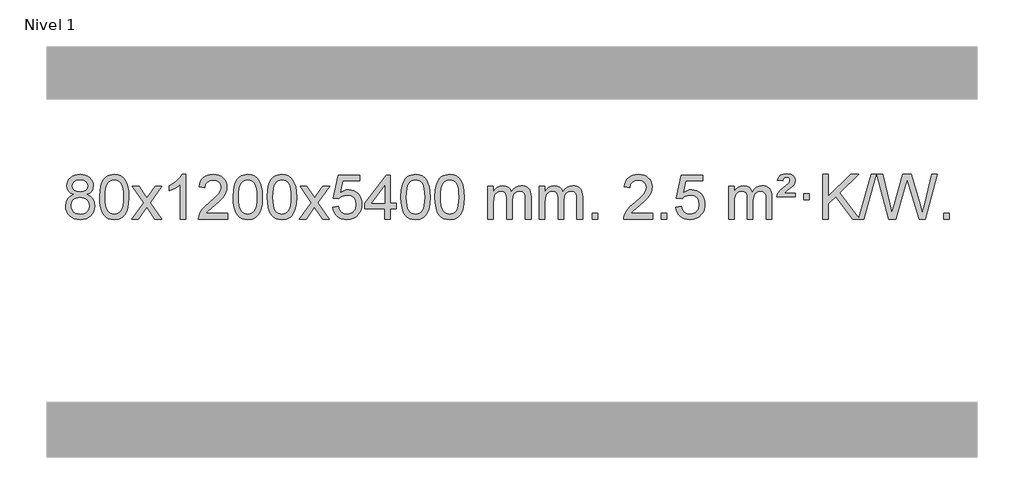
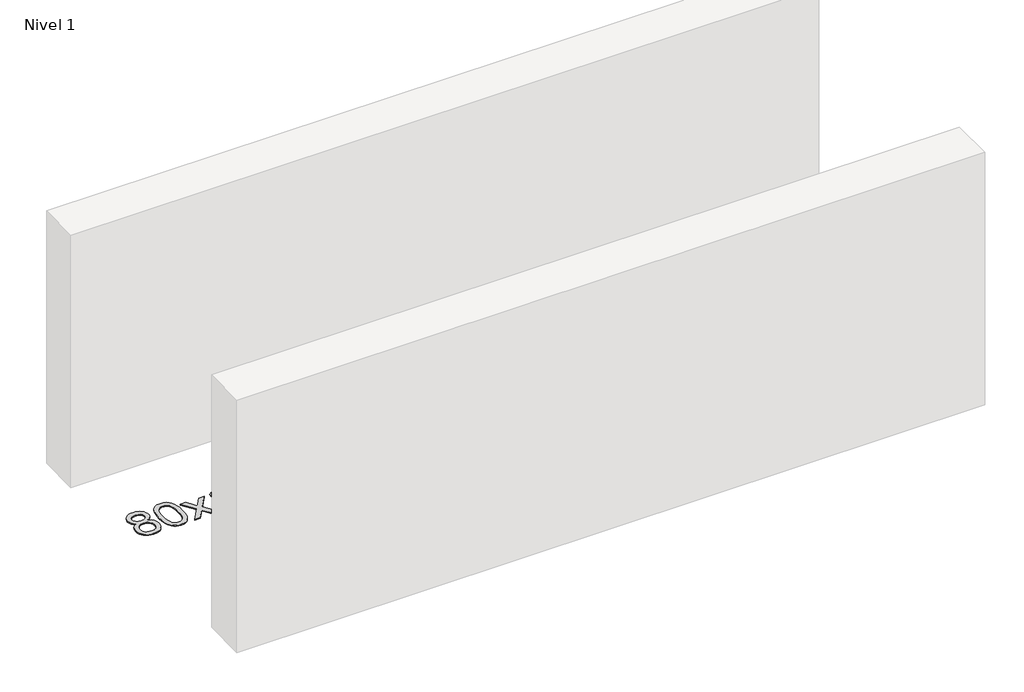
# One storey, part 7 of 15: 1 proxy.
"""IFC4 building model written with IfcOpenShell, lengths in millimetres."""

import ifcopenshell
import ifcopenshell.guid

model = None  # the IFC model being written
_history = None  # IfcOwnerHistory: only IFC2X3 demands one
_inside = {}  # id of a spatial element -> (the spatial element, [elements in it])
_under = {}  # id of a project, library or spatial element -> (it, [spatial elements below it])
_declared = {}  # id of a project -> (the project, [libraries it declares])
_typed = {}  # id of a type object -> (the type object, [elements of that type])
_made_of = {}  # id of a material, layer set ... -> (it, [elements and type objects made of it])


def new_model(schema):
    """Start an empty IFC model of exactly this schema.

    Asked for "IFC4X3", IfcOpenShell would pick the latest addendum, in which some entities
    have other attributes; the version numbers below select the first issue.
    IFC2X3 requires an IfcOwnerHistory on every rooted entity: one is made here for all.
    """
    global model, _history
    if schema == "IFC4X3":
        model = ifcopenshell.file(schema_version=(4, 3, 0, 0))
    else:
        model = ifcopenshell.file(schema=schema)
    _inside.clear()
    _under.clear()
    _declared.clear()
    _typed.clear()
    _made_of.clear()
    _history = None
    if model.schema == "IFC2X3":
        org = make("IfcOrganization", Name="unknown")
        user = make(
            "IfcPersonAndOrganization",
            ThePerson=make("IfcPerson", FamilyName="unknown"),
            TheOrganization=org,
        )
        app = make(
            "IfcApplication",
            ApplicationDeveloper=org,
            Version="unknown",
            ApplicationFullName="unknown",
            ApplicationIdentifier="unknown",
        )
        _history = make(
            "IfcOwnerHistory",
            OwningUser=user,
            OwningApplication=app,
            ChangeAction="ADDED",
            CreationDate=0,
        )
    return model


def make(cls, **values):
    """One entity of the class cls with the attributes given. An attribute that is None is left unset."""
    return model.create_entity(
        cls, **{name: value for name, value in values.items() if value is not None}
    )


def rooted(cls, **values):
    """An entity with a GlobalId (a new one), such as an element, a storey or a relation."""
    return make(cls, GlobalId=ifcopenshell.guid.new(), OwnerHistory=_history, **values)


def si_unit(unit_type, name, prefix=None):
    """IfcSIUnit, for example si_unit("LENGTHUNIT", "METRE", prefix="MILLI")."""
    return make("IfcSIUnit", UnitType=unit_type, Prefix=prefix, Name=name)


def assignment(units):
    """IfcUnitAssignment: the units of a project."""
    return None if units is None else make("IfcUnitAssignment", Units=units)


def point(xyz):
    """IfcCartesianPoint."""
    return None if xyz is None else make("IfcCartesianPoint", Coordinates=xyz)


def direction(xyz):
    """IfcDirection."""
    return None if xyz is None else make("IfcDirection", DirectionRatios=xyz)


def frame(location, z_axis=None, x_axis=None):
    """IfcAxis2Placement3D, a coordinate frame: its origin and axes. An axis left out is left unset."""
    return make(
        "IfcAxis2Placement3D",
        Location=point(location),
        Axis=direction(z_axis),
        RefDirection=direction(x_axis),
    )


def origin():
    """The frame at (0, 0, 0) with its axes left unset."""
    return frame((0.0, 0.0, 0.0))


def origin_with_axes():
    """The frame at (0, 0, 0) with the z axis (0, 0, 1) and the x axis (1, 0, 0) written out."""
    return frame((0.0, 0.0, 0.0), z_axis=(0.0, 0.0, 1.0), x_axis=(1.0, 0.0, 0.0))


def place(relative_to, where):
    """IfcLocalPlacement: puts the frame where relative to a parent placement (None: the world)."""
    return make(
        "IfcLocalPlacement", PlacementRelTo=relative_to, RelativePlacement=where
    )


def context(
    kind, dimensions, precision=None, world=None, true_north=None, identifier=None
):
    """IfcGeometricRepresentationContext, for example the 3D "Model" context."""
    return make(
        "IfcGeometricRepresentationContext",
        ContextIdentifier=identifier,
        ContextType=kind,
        CoordinateSpaceDimension=dimensions,
        Precision=precision,
        WorldCoordinateSystem=world,
        TrueNorth=true_north,
    )


def project(units=None, contexts=None):
    """IfcProject with its units and contexts."""
    return rooted(
        "IfcProject",
        Name="project",
        RepresentationContexts=contexts,
        UnitsInContext=assignment(units),
    )


def spatial(cls, under=None, at=None, **own):
    """A site, building, storey or space (cls), placed at a placement, below another one or the project."""
    s = rooted(cls, ObjectPlacement=at, **own)
    if under is not None:
        _under.setdefault(under.id(), (under, []))[1].append(s)
    return s


def polyline(points):
    """IfcPolyline through the points."""
    return make("IfcPolyline", Points=[point(p) for p in points])


def outline(outer, holes=None, kind="AREA"):
    """IfcArbitraryClosedProfileDef: a profile drawn as a closed curve; with holes, ...WithVoids."""
    if holes is None:
        return make("IfcArbitraryClosedProfileDef", ProfileType=kind, OuterCurve=outer)
    return make(
        "IfcArbitraryProfileDefWithVoids",
        ProfileType=kind,
        OuterCurve=outer,
        InnerCurves=holes,
    )


def extrude(swept, where, along, depth):
    """IfcExtrudedAreaSolid: the profile swept, set in the frame where, extruded along a direction by depth."""
    return make(
        "IfcExtrudedAreaSolid",
        SweptArea=swept,
        Position=where,
        ExtrudedDirection=direction(along),
        Depth=depth,
    )


def shape(context_of_items, identifier, shape_type, items):
    """IfcShapeRepresentation: the items that make up one representation, for example the "Body"."""
    return make(
        "IfcShapeRepresentation",
        ContextOfItems=context_of_items,
        RepresentationIdentifier=identifier,
        RepresentationType=shape_type,
        Items=items,
    )


def made_of(thing, what):
    """Note that an element or type object is made of a material, layer set ...; save() writes the relation."""
    if what is not None:
        _made_of.setdefault(what.id(), (what, []))[1].append(thing)
    return thing


def element(
    cls,
    number,
    at=None,
    inside=None,
    cuts=None,
    type_object=None,
    material=None,
    context=None,
    identifier="Body",
    shape_type=None,
    held_by="IfcProductDefinitionShape",
    body=None,
    shapes=None,
    **own,
):
    """One element of the class cls, such as IfcWall. Its Tag is "e" and its number.

    at: its placement. inside: the storey or other place that contains it. cuts: it is an
    opening in that element (IfcRelVoidsElement). A single representation is given by context,
    identifier, shape_type and body (its items); several are given by shapes. held_by: the class
    of the entity that holds the representations. save() writes the other relations.
    """
    e = rooted(cls, Tag="e%d" % number, ObjectPlacement=at, **own)
    if body is not None:
        shapes = [shape(context, identifier, shape_type, body)]
    if shapes is not None:
        e.Representation = make(held_by, Representations=shapes)
    if inside is not None:
        _inside.setdefault(inside.id(), (inside, []))[1].append(e)
    if cuts is not None:
        rooted(
            "IfcRelVoidsElement", RelatingBuildingElement=cuts, RelatedOpeningElement=e
        )
    if type_object is not None:
        _typed.setdefault(type_object.id(), (type_object, []))[1].append(e)
    return made_of(e, material)


def aggregate(whole, parts):
    """IfcRelAggregates: a whole, such as a stair, and the parts it consists of."""
    return rooted("IfcRelAggregates", RelatingObject=whole, RelatedObjects=parts)


def save(model, path):
    """Write the relations noted so far, then the file.

    IfcRelAggregates (storeys below a building ...), IfcRelContainedInSpatialStructure (elements
    in a storey), IfcRelDefinesByType, IfcRelAssociatesMaterial and IfcRelDeclares: one each for
    every whole, place, type object, material and project.
    """
    for whole, parts in _under.values():
        aggregate(whole, parts)
    for where, things in _inside.values():
        rooted(
            "IfcRelContainedInSpatialStructure",
            RelatedElements=things,
            RelatingStructure=where,
        )
    for kind, things in _typed.values():
        rooted("IfcRelDefinesByType", RelatedObjects=things, RelatingType=kind)
    for what, things in _made_of.values():
        rooted("IfcRelAssociatesMaterial", RelatedObjects=things, RelatingMaterial=what)
    for by, libraries in _declared.values():
        rooted("IfcRelDeclares", RelatingContext=by, RelatedDefinitions=libraries)
    model.write(path)


model = new_model("IFC4")

# Units and contexts
model_context = context("Model", 3, world=origin())
ifc_project = project(units=[si_unit("LENGTHUNIT", "METRE", prefix="MILLI")], contexts=[model_context])

# Site, building, storey
site = spatial("IfcSite", under=ifc_project)
building = spatial("IfcBuilding", under=site)
storey = spatial("IfcBuildingStorey", under=building, Name="Nivel 1", Elevation=0.0)

# Proxy
placement = place(None, origin())
element("IfcBuildingElementProxy", 1, Name="Texto de modelo 1", ObjectType="Texto de modelo 1", at=placement, inside=storey, context=model_context, shape_type="SweptSolid", body=[
    extrude(outline(polyline([(-25932.9857189, -444.2616447), (-25959.8778927, -431.0178929), (-25978.7502391, -413.0652515), (-25989.8970635, -390.7716026), (-25993.6126717, -364.5048281), (-25991.5893207, -344.0199324), (-25985.5192678, -325.2395565), (-25975.4025129, -308.1637006), (-25961.2390561, -292.7923645), (-25943.709479, -280.088173), (-25923.4943634, -271.0137504), (-25900.5937092, -265.5690969), (-25875.0075164, -263.7542124), (-25849.2986964, -265.6120165), (-25826.2263639, -271.1854287), (-25805.7905191, -280.4744491), (-25787.9911619, -293.4790776), (-25773.5701876, -309.1508506), (-25763.2694918, -326.4413044), (-25757.0890743, -345.3504389), (-25755.0289351, -365.8782543), (-25758.6954923, -391.2989001), (-25769.695164, -413.2124043), (-25788.1505774, -431.0546811), (-25814.1843599, -444.2616447), (-25783.2700096, -460.1909351), (-25760.7678942, -483.6495436), (-25747.0458958, -513.5092989), (-25742.4718963, -548.6420295), (-25744.740502, -573.6947933), (-25751.5463189, -596.6628926), (-25762.8893471, -617.5463272), (-25778.7695865, -636.3450971), (-25798.3531714, -651.88198), (-25820.8062358, -662.9797536), (-25846.1287798, -669.6384177), (-25874.3208034, -671.8579724), (-25902.512827, -669.6292206), (-25927.835371, -662.9429654), (-25950.2884354, -651.7992066), (-25969.8720203, -636.1979443), (-25985.7522597, -617.26735), (-25997.0952879, -596.135595), (-26003.9011048, -572.8026795), (-26006.1697105, -547.2686033), (-26001.41177, -510.7747094), (-25987.1379486, -480.7555386), (-25964.0840102, -458.2411605), (-25932.9857189, -444.2616447)]), holes=[polyline([(-25943.3845166, -365.9763561), (-25938.9331445, -387.902123), (-25925.5790281, -405.413306), (-25903.7145748, -416.8912243), (-25873.7321922, -420.717197), (-25844.4487854, -416.9157497), (-25822.9154259, -405.5114079), (-25809.6716741, -388.5888361), (-25805.2570902, -368.232699), (-25809.8188269, -347.1040098), (-25823.5040371, -329.629615), (-25845.3317022, -317.8941794), (-25874.3208034, -313.9823675), (-25903.4938456, -317.8083402), (-25925.2847225, -329.2862585), (-25938.8595681, -346.1107284), (-25943.3845166, -365.9763561)]), polyline([(-25955.9415554, -545.5027698), (-25953.844628, -564.7184726), (-25947.5538459, -583.3210389), (-25935.9410376, -599.5446349), (-25917.8780316, -611.623427), (-25896.2465703, -619.1282197), (-25873.9283959, -621.6298173), (-25839.7398958, -616.3691048), (-25825.8462192, -609.7932141), (-25814.086258, -600.5869672), (-25798.0466031, -576.6869002), (-25792.7000514, -547.0723996), (-25798.2182813, -516.9551269), (-25814.7729711, -492.5277625), (-25826.8517633, -483.0854579), (-25841.0152201, -476.3409547), (-25875.5961276, -470.9453521), (-25909.3063811, -476.2673783), (-25923.043708, -482.919911), (-25934.7025015, -492.2334569), (-25950.6317919, -516.1948375), (-25955.9415554, -545.5027698)])]), origin_with_axes(), (0.0, 0.0, 1.0), 10.0),
    extrude(outline(polyline([(-25698.5222606, -467.9041943), (-25694.8311779, -403.5861588), (-25683.7579299, -352.2911459), (-25665.4128811, -313.2343407), (-25653.5548181, -298.0009605), (-25639.9063961, -285.6309284), (-25624.4216298, -276.0598651), (-25607.0545339, -269.2233914), (-25566.6733536, -263.7542124), (-25535.722215, -266.991574), (-25508.0084381, -276.7036586), (-25484.8318724, -292.5103217), (-25467.4923677, -314.0314184), (-25454.3957686, -341.0830078), (-25443.94792, -373.4811488), (-25437.1053149, -414.6226186), (-25434.8244465, -467.9041943), (-25438.478741, -531.8543477), (-25449.4416244, -583.0267333), (-25467.6763087, -622.1203266), (-25479.5067805, -637.3996922), (-25493.1460055, -649.8341036), (-25508.6491659, -659.4695462), (-25526.071444, -666.3520052), (-25566.6733536, -671.8579724), (-25594.3380796, -669.4667394), (-25618.8635459, -662.2930405), (-25640.2497526, -650.3368757), (-25658.4966996, -633.5982449), (-25676.0078825, -603.3399508), (-25688.5158704, -565.6381776), (-25696.0206631, -520.4929255), (-25698.5222606, -467.9041943)]), holes=[polyline([(-25648.2941056, -467.8060924), (-25646.8225776, -511.4706195), (-25642.4079936, -546.8148822), (-25635.0503537, -573.8388804), (-25624.7496579, -592.5426142), (-25612.290721, -605.2682656), (-25598.4583579, -614.3580165), (-25583.2525688, -619.8118671), (-25566.6733536, -621.6298173), (-25550.0941383, -619.8057357), (-25534.8883492, -614.3334911), (-25521.0559862, -605.2130833), (-25508.5970493, -592.4445124), (-25498.2963534, -573.7101217), (-25490.9387135, -546.6922549), (-25486.5241295, -511.3909118), (-25485.0526016, -467.8060924), (-25486.4750786, -425.2973278), (-25490.7425098, -390.5753989), (-25497.854895, -363.6403055), (-25507.8122343, -344.4920476), (-25520.0627048, -331.1440625), (-25534.0544833, -321.6097875), (-25549.78757, -315.8892225), (-25567.2619648, -313.9823675), (-25583.7553409, -315.6623619), (-25598.7036126, -320.7023452), (-25612.10678, -329.1023175), (-25623.9648429, -340.8622786), (-25634.6088953, -361.708925), (-25642.2117899, -389.8151094), (-25646.7735266, -425.1808319), (-25648.2941056, -467.8060924)])]), origin_with_axes(), (0.0, 0.0, 1.0), 10.0),
    extrude(outline(polyline([(-25409.7103689, -665.579453), (-25302.3869282, -517.2494325), (-25403.4318496, -370.4890419), (-25343.0011005, -370.4890419), (-25294.2444734, -441.122385), (-25271.4848406, -474.4770192), (-25251.7663657, -447.2047007), (-25196.2407099, -370.4890419), (-25135.8099608, -370.4890419), (-25241.9561791, -517.2494325), (-25139.7340354, -665.579453), (-25200.1647845, -665.579453), (-25261.6746541, -576.4048574), (-25272.9563686, -560.1199477), (-25349.2796199, -665.579453), (-25409.7103689, -665.579453)])), origin_with_axes(), (0.0, 0.0, 1.0), 10.0),
    extrude(outline(polyline([(-24919.985857, -665.579453), (-24970.214012, -665.579453), (-24970.214012, -352.4382987), (-24991.1832858, -369.3976587), (-25017.7934168, -386.3324932), (-25070.6703222, -411.6918254), (-25070.6703222, -364.2105225), (-25031.2211096, -342.7507395), (-24997.0448722, -317.219729), (-24970.1036474, -290.0700378), (-24952.3594725, -263.7542124), (-24919.985857, -263.7542124), (-24919.985857, -665.579453)])), origin_with_axes(), (0.0, 0.0, 1.0), 10.0),
    extrude(outline(polyline([(-24543.2746939, -615.3512979), (-24543.2746939, -665.579453), (-24806.9725081, -665.579453), (-24805.8688621, -647.8965918), (-24801.5769055, -630.9494945), (-24789.191545, -603.8856424), (-24771.0672253, -577.6311307), (-24744.8495018, -550.1503456), (-24708.1839296, -519.4076736), (-24653.982649, -471.2641831), (-24621.4618806, -435.7267824), (-24605.2014964, -406.884834), (-24599.7813684, -378.8277005), (-24604.8949281, -353.6768347), (-24620.2356073, -332.7688747), (-24643.8168432, -318.6789943), (-24673.652073, -313.9823675), (-24704.9833563, -318.5686297), (-24729.3248816, -332.3274163), (-24745.0334428, -354.1796068), (-24750.4658336, -383.0460807), (-24800.6939887, -376.7675613), (-24796.3744409, -350.838012), (-24788.5170946, -328.1826125), (-24777.1219498, -308.8013627), (-24762.1890065, -292.6942627), (-24744.0616212, -280.0329907), (-24723.0831504, -270.989225), (-24699.2535942, -265.5629655), (-24672.5729525, -263.7542124), (-24645.6531875, -265.7653006), (-24621.6948725, -271.7985654), (-24600.6980077, -281.8540066), (-24582.6625929, -295.9316242), (-24568.1772393, -312.9890861), (-24557.8305582, -331.9840598), (-24551.6225495, -352.9165453), (-24549.5532133, -375.7865427), (-24551.7850307, -399.8092369), (-24558.480483, -423.4149983), (-24570.3630715, -447.4254299), (-24588.1562973, -472.6621347), (-24616.5199991, -502.7916701), (-24660.1140156, -541.4805933), (-24717.8960143, -589.795762), (-24740.5575452, -615.3512979), (-24543.2746939, -615.3512979)])), origin_with_axes(), (0.0, 0.0, 1.0), 10.0),
    extrude(outline(polyline([(-24493.0465388, -467.9041943), (-24489.3554561, -403.5861588), (-24478.2822081, -352.2911459), (-24459.9371593, -313.2343407), (-24448.0790963, -298.0009605), (-24434.4306743, -285.6309284), (-24418.945908, -276.0598651), (-24401.5788121, -269.2233914), (-24361.1976318, -263.7542124), (-24330.2464932, -266.991574), (-24302.5327163, -276.7036586), (-24279.3561506, -292.5103217), (-24262.0166459, -314.0314184), (-24248.9200468, -341.0830078), (-24238.4721982, -373.4811488), (-24231.6295931, -414.6226186), (-24229.3487247, -467.9041943), (-24233.0030192, -531.8543477), (-24243.9659026, -583.0267333), (-24262.2005869, -622.1203266), (-24274.0310587, -637.3996922), (-24287.6702837, -649.8341036), (-24303.1734441, -659.4695462), (-24320.5957222, -666.3520052), (-24361.1976318, -671.8579724), (-24388.8623578, -669.4667394), (-24413.3878241, -662.2930405), (-24434.7740308, -650.3368757), (-24453.0209778, -633.5982449), (-24470.5321607, -603.3399508), (-24483.0401486, -565.6381776), (-24490.5449413, -520.4929255), (-24493.0465388, -467.9041943)]), holes=[polyline([(-24442.8183838, -467.8060924), (-24441.3468558, -511.4706195), (-24436.9322718, -546.8148822), (-24429.5746319, -573.8388804), (-24419.2739361, -592.5426142), (-24406.8149992, -605.2682656), (-24392.9826361, -614.3580165), (-24377.776847, -619.8118671), (-24361.1976318, -621.6298173), (-24344.6184165, -619.8057357), (-24329.4126274, -614.3334911), (-24315.5802644, -605.2130833), (-24303.1213275, -592.4445124), (-24292.8206316, -573.7101217), (-24285.4629917, -546.6922549), (-24281.0484077, -511.3909118), (-24279.5768798, -467.8060924), (-24280.9993568, -425.2973278), (-24285.266788, -390.5753989), (-24292.3791732, -363.6403055), (-24302.3365125, -344.4920476), (-24314.586983, -331.1440625), (-24328.5787615, -321.6097875), (-24344.3118482, -315.8892225), (-24361.786243, -313.9823675), (-24378.2796191, -315.6623619), (-24393.2278908, -320.7023452), (-24406.6310582, -329.1023175), (-24418.4891211, -340.8622786), (-24429.1331735, -361.708925), (-24436.7360681, -389.8151094), (-24441.2978048, -425.1808319), (-24442.8183838, -467.8060924)])]), origin_with_axes(), (0.0, 0.0, 1.0), 10.0),
    extrude(outline(polyline([(-24185.399089, -467.9041943), (-24181.7080063, -403.5861588), (-24170.6347583, -352.2911459), (-24152.2897094, -313.2343407), (-24140.4316465, -298.0009605), (-24126.7832244, -285.6309284), (-24111.2984581, -276.0598651), (-24093.9313623, -269.2233914), (-24053.5501819, -263.7542124), (-24022.5990434, -266.991574), (-23994.8852664, -276.7036586), (-23971.7087007, -292.5103217), (-23954.369196, -314.0314184), (-23941.272597, -341.0830078), (-23930.8247483, -373.4811488), (-23923.9821432, -414.6226186), (-23921.7012749, -467.9041943), (-23925.3555693, -531.8543477), (-23936.3184528, -583.0267333), (-23954.553137, -622.1203266), (-23966.3836089, -637.3996922), (-23980.0228338, -649.8341036), (-23995.5259942, -659.4695462), (-24012.9482724, -666.3520052), (-24053.5501819, -671.8579724), (-24081.214908, -669.4667394), (-24105.7403743, -662.2930405), (-24127.126581, -650.3368757), (-24145.3735279, -633.5982449), (-24162.8847109, -603.3399508), (-24175.3926987, -565.6381776), (-24182.8974914, -520.4929255), (-24185.399089, -467.9041943)]), holes=[polyline([(-24135.1709339, -467.8060924), (-24133.6994059, -511.4706195), (-24129.284822, -546.8148822), (-24121.9271821, -573.8388804), (-24111.6264862, -592.5426142), (-24099.1675493, -605.2682656), (-24085.3351863, -614.3580165), (-24070.1293972, -619.8118671), (-24053.5501819, -621.6298173), (-24036.9709667, -619.8057357), (-24021.7651775, -614.3334911), (-24007.9328145, -605.2130833), (-23995.4738776, -592.4445124), (-23985.1731818, -573.7101217), (-23977.8155419, -546.6922549), (-23973.4009579, -511.3909118), (-23971.9294299, -467.8060924), (-23973.351907, -425.2973278), (-23977.6193381, -390.5753989), (-23984.7317234, -363.6403055), (-23994.6890627, -344.4920476), (-24006.9395331, -331.1440625), (-24020.9313117, -321.6097875), (-24036.6643984, -315.8892225), (-24054.1387931, -313.9823675), (-24070.6321692, -315.6623619), (-24085.580441, -320.7023452), (-24098.9836083, -329.1023175), (-24110.8416713, -340.8622786), (-24121.4857237, -361.708925), (-24129.0886183, -389.8151094), (-24133.650355, -425.1808319), (-24135.1709339, -467.8060924)])]), origin_with_axes(), (0.0, 0.0, 1.0), 10.0),
    extrude(outline(polyline([(-23896.5871973, -665.579453), (-23789.2637566, -517.2494325), (-23890.3086779, -370.4890419), (-23829.8779289, -370.4890419), (-23781.1213018, -441.122385), (-23758.361669, -474.4770192), (-23738.6431941, -447.2047007), (-23683.1175383, -370.4890419), (-23622.6867892, -370.4890419), (-23728.8330075, -517.2494325), (-23626.6108638, -665.579453), (-23687.0416129, -665.579453), (-23748.5514825, -576.4048574), (-23759.833197, -560.1199477), (-23836.1564482, -665.579453), (-23896.5871973, -665.579453)])), origin_with_axes(), (0.0, 0.0, 1.0), 10.0),
    extrude(outline(polyline([(-23595.2182669, -558.8446235), (-23544.9901118, -552.5661041), (-23535.7685365, -582.7201649), (-23519.6798305, -604.3148381), (-23496.7975704, -617.3010725), (-23467.1953326, -621.6298173), (-23448.0654688, -620.1245668), (-23431.191948, -615.6088153), (-23416.57477, -608.0825628), (-23404.213935, -597.5458094), (-23394.3853543, -584.519721), (-23387.3649396, -569.5254641), (-23381.7486078, -533.6324441), (-23387.0093203, -499.8363514), (-23393.585211, -485.9181493), (-23402.7914579, -473.9865099), (-23414.658718, -464.4154467), (-23429.2176479, -457.5789729), (-23466.4105176, -452.1097939), (-23490.7765684, -454.2925604), (-23510.5073061, -460.8408599), (-23526.2649182, -470.8717757), (-23538.7115924, -483.5023908), (-23588.9397475, -477.2238715), (-23544.9901118, -270.0327318), (-23350.3560109, -270.0327318), (-23350.3560109, -320.2608869), (-23504.3759395, -320.2608869), (-23525.860248, -430.919791), (-23508.1344672, -418.2155994), (-23489.9794908, -409.1411769), (-23471.3953187, -403.6965234), (-23452.3819509, -401.8816388), (-23427.9208639, -404.1318504), (-23405.452471, -410.882485), (-23384.9767723, -422.1335427), (-23366.4937677, -437.8850234), (-23351.1929424, -457.1743027), (-23340.2637815, -479.038756), (-23333.7062849, -503.4783832), (-23331.5204527, -530.4931844), (-23333.4886214, -556.5147042), (-23339.3931274, -580.7213394), (-23349.2339708, -603.1130902), (-23363.0111515, -623.6899565), (-23383.8823234, -644.7634634), (-23408.2361115, -659.8159684), (-23436.0725158, -668.8474714), (-23467.3915363, -671.8579724), (-23493.3118885, -669.9235262), (-23516.7245118, -664.1201877), (-23537.6294062, -654.447957), (-23556.0265717, -640.9068338), (-23571.3335283, -624.1712688), (-23582.9677964, -604.915712), (-23590.9293759, -583.1401636), (-23595.2182669, -558.8446235)])), origin_with_axes(), (0.0, 0.0, 1.0), 10.0),
    extrude(outline(polyline([(-23124.329313, -665.579453), (-23124.329313, -571.4016622), (-23306.4063752, -571.4016622), (-23306.4063752, -521.1735072), (-23111.7722743, -270.0327318), (-23074.101158, -270.0327318), (-23074.101158, -521.1735072), (-23023.8730029, -521.1735072), (-23023.8730029, -571.4016622), (-23074.101158, -571.4016622), (-23074.101158, -665.579453), (-23124.329313, -665.579453)]), holes=[polyline([(-23124.329313, -521.1735072), (-23124.329313, -365.9763561), (-23244.6022, -521.1735072), (-23124.329313, -521.1735072)])]), origin_with_axes(), (0.0, 0.0, 1.0), 10.0),
    extrude(outline(polyline([(-22979.9233672, -467.9041943), (-22976.2322845, -403.5861588), (-22965.1590365, -352.2911459), (-22946.8139876, -313.2343407), (-22934.9559247, -298.0009605), (-22921.3075026, -285.6309284), (-22905.8227363, -276.0598651), (-22888.4556405, -269.2233914), (-22848.0744601, -263.7542124), (-22817.1233216, -266.991574), (-22789.4095446, -276.7036586), (-22766.2329789, -292.5103217), (-22748.8934742, -314.0314184), (-22735.7968752, -341.0830078), (-22725.3490265, -373.4811488), (-22718.5064214, -414.6226186), (-22716.2255531, -467.9041943), (-22719.8798475, -531.8543477), (-22730.842731, -583.0267333), (-22749.0774152, -622.1203266), (-22760.9078871, -637.3996922), (-22774.547112, -649.8341036), (-22790.0502724, -659.4695462), (-22807.4725506, -666.3520052), (-22848.0744601, -671.8579724), (-22875.7391862, -669.4667394), (-22900.2646525, -662.2930405), (-22921.6508592, -650.3368757), (-22939.8978061, -633.5982449), (-22957.4089891, -603.3399508), (-22969.9169769, -565.6381776), (-22977.4217696, -520.4929255), (-22979.9233672, -467.9041943)]), holes=[polyline([(-22929.6952121, -467.8060924), (-22928.2236842, -511.4706195), (-22923.8091002, -546.8148822), (-22916.4514603, -573.8388804), (-22906.1507644, -592.5426142), (-22893.6918275, -605.2682656), (-22879.8594645, -614.3580165), (-22864.6536754, -619.8118671), (-22848.0744601, -621.6298173), (-22831.4952449, -619.8057357), (-22816.2894558, -614.3334911), (-22802.4570927, -605.2130833), (-22789.9981558, -592.4445124), (-22779.69746, -573.7101217), (-22772.3398201, -546.6922549), (-22767.9252361, -511.3909118), (-22766.4537081, -467.8060924), (-22767.8761852, -425.2973278), (-22772.1436163, -390.5753989), (-22779.2560016, -363.6403055), (-22789.2133409, -344.4920476), (-22801.4638113, -331.1440625), (-22815.4555899, -321.6097875), (-22831.1886766, -315.8892225), (-22848.6630713, -313.9823675), (-22865.1564474, -315.6623619), (-22880.1047192, -320.7023452), (-22893.5078865, -329.1023175), (-22905.3659495, -340.8622786), (-22916.0100019, -361.708925), (-22923.6128965, -389.8151094), (-22928.1746332, -425.1808319), (-22929.6952121, -467.8060924)])]), origin_with_axes(), (0.0, 0.0, 1.0), 10.0),
    extrude(outline(polyline([(-22672.2759174, -467.9041943), (-22668.5848347, -403.5861588), (-22657.5115866, -352.2911459), (-22639.1665378, -313.2343407), (-22627.3084748, -298.0009605), (-22613.6600528, -285.6309284), (-22598.1752865, -276.0598651), (-22580.8081906, -269.2233914), (-22540.4270103, -263.7542124), (-22509.4758718, -266.991574), (-22481.7620948, -276.7036586), (-22458.5855291, -292.5103217), (-22441.2460244, -314.0314184), (-22428.1494254, -341.0830078), (-22417.7015767, -373.4811488), (-22410.8589716, -414.6226186), (-22408.5781032, -467.9041943), (-22412.2323977, -531.8543477), (-22423.1952812, -583.0267333), (-22441.4299654, -622.1203266), (-22453.2604372, -637.3996922), (-22466.8996622, -649.8341036), (-22482.4028226, -659.4695462), (-22499.8251008, -666.3520052), (-22540.4270103, -671.8579724), (-22568.0917363, -669.4667394), (-22592.6172027, -662.2930405), (-22614.0034093, -650.3368757), (-22632.2503563, -633.5982449), (-22649.7615393, -603.3399508), (-22662.2695271, -565.6381776), (-22669.7743198, -520.4929255), (-22672.2759174, -467.9041943)]), holes=[polyline([(-22622.0477623, -467.8060924), (-22620.5762343, -511.4706195), (-22616.1616504, -546.8148822), (-22608.8040105, -573.8388804), (-22598.5033146, -592.5426142), (-22586.0443777, -605.2682656), (-22572.2120147, -614.3580165), (-22557.0062256, -619.8118671), (-22540.4270103, -621.6298173), (-22523.8477951, -619.8057357), (-22508.6420059, -614.3334911), (-22494.8096429, -605.2130833), (-22482.350706, -592.4445124), (-22472.0500101, -573.7101217), (-22464.6923702, -546.6922549), (-22460.2777863, -511.3909118), (-22458.8062583, -467.8060924), (-22460.2287354, -425.2973278), (-22464.4961665, -390.5753989), (-22471.6085517, -363.6403055), (-22481.5658911, -344.4920476), (-22493.8163615, -331.1440625), (-22507.8081401, -321.6097875), (-22523.5412267, -315.8892225), (-22541.0156215, -313.9823675), (-22557.5089976, -315.6623619), (-22572.4572693, -320.7023452), (-22585.8604367, -329.1023175), (-22597.7184997, -340.8622786), (-22608.3625521, -361.708925), (-22615.9654466, -389.8151094), (-22620.5271834, -425.1808319), (-22622.0477623, -467.8060924)])]), origin_with_axes(), (0.0, 0.0, 1.0), 10.0),
    extrude(outline(polyline([(-22195.1084442, -665.579453), (-22195.1084442, -370.4890419), (-22144.8802891, -370.4890419), (-22144.8802891, -419.0494653), (-22129.7726018, -396.7435536), (-22110.3484325, -379.2691589), (-22087.2699686, -367.9751816), (-22061.1993979, -364.2105225), (-22033.2648918, -368.048758), (-22010.873141, -379.5634645), (-21994.1467729, -397.9943524), (-21983.2084149, -422.5811324), (-21964.9001543, -397.0439906), (-21944.0167197, -378.803175), (-21920.5581112, -367.8586857), (-21894.5243286, -364.2105225), (-21874.4165119, -365.7280358), (-21856.7673732, -370.2805755), (-21841.5769125, -377.8681416), (-21828.8451298, -388.4907342), (-21818.7804915, -402.2709806), (-21811.5914642, -419.3315082), (-21807.2780478, -439.6723168), (-21805.8402423, -463.2934066), (-21805.8402423, -665.579453), (-21856.0683974, -665.579453), (-21856.0683974, -484.875817), (-21857.2333571, -459.8230531), (-21860.728236, -442.9372695), (-21867.2765355, -431.3735121), (-21877.6017569, -422.2868268), (-21890.8822969, -416.4007149), (-21906.2965525, -414.4386776), (-21933.5075574, -419.4663982), (-21955.6908417, -434.54956), (-21964.2962147, -446.1194488), (-21970.4429097, -460.7182326), (-21975.3602657, -499.0024856), (-21975.3602657, -665.579453), (-22025.5884208, -665.579453), (-22025.5884208, -479.2840106), (-22028.4946885, -450.8835206), (-22037.2134918, -430.6254854), (-22052.554171, -418.4853796), (-22075.3260665, -414.4386776), (-22094.6766595, -417.1364789), (-22112.5066735, -425.2298828), (-22127.2219533, -438.5226856), (-22137.2283436, -456.8186835), (-22142.9673027, -482.2025411), (-22144.8802891, -516.7589232), (-22144.8802891, -665.579453), (-22195.1084442, -665.579453)])), origin_with_axes(), (0.0, 0.0, 1.0), 10.0),
    extrude(outline(polyline([(-21730.4980097, -665.579453), (-21730.4980097, -370.4890419), (-21680.2698546, -370.4890419), (-21680.2698546, -419.0494653), (-21665.1621674, -396.7435536), (-21645.737998, -379.2691589), (-21622.6595342, -367.9751816), (-21596.5889635, -364.2105225), (-21568.6544573, -368.048758), (-21546.2627065, -379.5634645), (-21529.5363385, -397.9943524), (-21518.5979805, -422.5811324), (-21500.2897199, -397.0439906), (-21479.4062853, -378.803175), (-21455.9476767, -367.8586857), (-21429.9138942, -364.2105225), (-21409.8060775, -365.7280358), (-21392.1569388, -370.2805755), (-21376.966478, -377.8681416), (-21364.2346953, -388.4907342), (-21354.1700571, -402.2709806), (-21346.9810297, -419.3315082), (-21342.6676134, -439.6723168), (-21341.2298079, -463.2934066), (-21341.2298079, -665.579453), (-21391.457963, -665.579453), (-21391.457963, -484.875817), (-21392.6229226, -459.8230531), (-21396.1178016, -442.9372695), (-21402.6661011, -431.3735121), (-21412.9913224, -422.2868268), (-21426.2718624, -416.4007149), (-21441.686118, -414.4386776), (-21468.8971229, -419.4663982), (-21491.0804073, -434.54956), (-21499.6857803, -446.1194488), (-21505.8324753, -460.7182326), (-21510.7498313, -499.0024856), (-21510.7498313, -665.579453), (-21560.9779863, -665.579453), (-21560.9779863, -479.2840106), (-21563.8842541, -450.8835206), (-21572.6030574, -430.6254854), (-21587.9437366, -418.4853796), (-21610.7156321, -414.4386776), (-21630.066225, -417.1364789), (-21647.8962391, -425.2298828), (-21662.6115189, -438.5226856), (-21672.6179091, -456.8186835), (-21678.3568683, -482.2025411), (-21680.2698546, -516.7589232), (-21680.2698546, -665.579453), (-21730.4980097, -665.579453)])), origin_with_axes(), (0.0, 0.0, 1.0), 10.0),
    extrude(outline(polyline([(-21253.3305365, -665.579453), (-21253.3305365, -615.3512979), (-21203.1023814, -615.3512979), (-21203.1023814, -665.579453), (-21253.3305365, -665.579453)])), origin_with_axes(), (0.0, 0.0, 1.0), 10.0),
    extrude(outline(polyline([(-20707.0993501, -615.3512979), (-20707.0993501, -665.579453), (-20970.7971642, -665.579453), (-20969.6935182, -647.8965918), (-20965.4015616, -630.9494945), (-20953.0162011, -603.8856424), (-20934.8918815, -577.6311307), (-20908.674158, -550.1503456), (-20872.0085858, -519.4076736), (-20817.8073052, -471.2641831), (-20785.2865368, -435.7267824), (-20769.0261526, -406.884834), (-20763.6060245, -378.8277005), (-20768.7195843, -353.6768347), (-20784.0602635, -332.7688747), (-20807.6414994, -318.6789943), (-20837.4767292, -313.9823675), (-20868.8080124, -318.5686297), (-20893.1495378, -332.3274163), (-20908.858099, -354.1796068), (-20914.2904898, -383.0460807), (-20964.5186448, -376.7675613), (-20960.1990971, -350.838012), (-20952.3417508, -328.1826125), (-20940.946606, -308.8013627), (-20926.0136627, -292.6942627), (-20907.8862774, -280.0329907), (-20886.9078066, -270.989225), (-20863.0782503, -265.5629655), (-20836.3976086, -263.7542124), (-20809.4778436, -265.7653006), (-20785.5195287, -271.7985654), (-20764.5226638, -281.8540066), (-20746.487249, -295.9316242), (-20732.0018955, -312.9890861), (-20721.6552143, -331.9840598), (-20715.4472057, -352.9165453), (-20713.3778695, -375.7865427), (-20715.6096869, -399.8092369), (-20722.3051392, -423.4149983), (-20734.1877276, -447.4254299), (-20751.9809535, -472.6621347), (-20780.3446553, -502.7916701), (-20823.9386717, -541.4805933), (-20881.7206704, -589.795762), (-20904.3822014, -615.3512979), (-20707.0993501, -615.3512979)])), origin_with_axes(), (0.0, 0.0, 1.0), 10.0),
    extrude(outline(polyline([(-20631.7571175, -665.579453), (-20631.7571175, -615.3512979), (-20581.5289624, -615.3512979), (-20581.5289624, -665.579453), (-20631.7571175, -665.579453)])), origin_with_axes(), (0.0, 0.0, 1.0), 10.0),
    extrude(outline(polyline([(-20499.9082104, -558.8446235), (-20449.6800553, -552.5661041), (-20440.45848, -582.7201649), (-20424.369774, -604.3148381), (-20401.4875139, -617.3010725), (-20371.8852761, -621.6298173), (-20352.7554123, -620.1245668), (-20335.8818915, -615.6088153), (-20321.2647135, -608.0825628), (-20308.9038785, -597.5458094), (-20299.0752979, -584.519721), (-20292.0548831, -569.5254641), (-20286.4385513, -533.6324441), (-20291.6992639, -499.8363514), (-20298.2751545, -485.9181493), (-20307.4814014, -473.9865099), (-20319.3486615, -464.4154467), (-20333.9075914, -457.5789729), (-20371.1004611, -452.1097939), (-20395.466512, -454.2925604), (-20415.1972496, -460.8408599), (-20430.9548618, -470.8717757), (-20443.4015359, -483.5023908), (-20493.629691, -477.2238715), (-20449.6800553, -270.0327318), (-20255.0459544, -270.0327318), (-20255.0459544, -320.2608869), (-20409.065883, -320.2608869), (-20430.5501916, -430.919791), (-20412.8244108, -418.2155994), (-20394.6694343, -409.1411769), (-20376.0852622, -403.6965234), (-20357.0718944, -401.8816388), (-20332.6108074, -404.1318504), (-20310.1424145, -410.882485), (-20289.6667158, -422.1335427), (-20271.1837113, -437.8850234), (-20255.8828859, -457.1743027), (-20244.953725, -479.038756), (-20238.3962284, -503.4783832), (-20236.2103962, -530.4931844), (-20238.1785649, -556.5147042), (-20244.0830709, -580.7213394), (-20253.9239143, -603.1130902), (-20267.701095, -623.6899565), (-20288.5722669, -644.7634634), (-20312.926055, -659.8159684), (-20340.7624593, -668.8474714), (-20372.0814798, -671.8579724), (-20398.001832, -669.9235262), (-20421.4144553, -664.1201877), (-20442.3193497, -654.447957), (-20460.7165152, -640.9068338), (-20476.0234719, -624.1712688), (-20487.6577399, -604.915712), (-20495.6193195, -583.1401636), (-20499.9082104, -558.8446235)])), origin_with_axes(), (0.0, 0.0, 1.0), 10.0),
    extrude(outline(polyline([(-20022.7407372, -665.579453), (-20022.7407372, -370.4890419), (-19972.5125821, -370.4890419), (-19972.5125821, -419.0494653), (-19957.4048948, -396.7435536), (-19937.9807255, -379.2691589), (-19914.9022617, -367.9751816), (-19888.8316909, -364.2105225), (-19860.8971848, -368.048758), (-19838.505434, -379.5634645), (-19821.7790659, -397.9943524), (-19810.840708, -422.5811324), (-19792.5324473, -397.0439906), (-19771.6490127, -378.803175), (-19748.1904042, -367.8586857), (-19722.1566217, -364.2105225), (-19702.0488049, -365.7280358), (-19684.3996662, -370.2805755), (-19669.2092055, -377.8681416), (-19656.4774228, -388.4907342), (-19646.4127845, -402.2709806), (-19639.2237572, -419.3315082), (-19634.9103408, -439.6723168), (-19633.4725353, -463.2934066), (-19633.4725353, -665.579453), (-19683.7006904, -665.579453), (-19683.7006904, -484.875817), (-19684.8656501, -459.8230531), (-19688.360529, -442.9372695), (-19694.9088285, -431.3735121), (-19705.2340499, -422.2868268), (-19718.5145899, -416.4007149), (-19733.9288455, -414.4386776), (-19761.1398504, -419.4663982), (-19783.3231347, -434.54956), (-19791.9285077, -446.1194488), (-19798.0752027, -460.7182326), (-19802.9925587, -499.0024856), (-19802.9925587, -665.579453), (-19853.2207138, -665.579453), (-19853.2207138, -479.2840106), (-19856.1269816, -450.8835206), (-19864.8457848, -430.6254854), (-19880.186464, -418.4853796), (-19902.9583595, -414.4386776), (-19922.3089525, -417.1364789), (-19940.1389665, -425.2298828), (-19954.8542463, -438.5226856), (-19964.8606366, -456.8186835), (-19970.5995957, -482.2025411), (-19972.5125821, -516.7589232), (-19972.5125821, -665.579453), (-20022.7407372, -665.579453)])), origin_with_axes(), (0.0, 0.0, 1.0), 10.0),
    extrude(outline(polyline([(-19589.5228997, -464.6668327), (-19585.6969269, -448.8479069), (-19577.3582683, -432.9799302), (-19555.8494344, -407.8413272), (-19523.8927517, -380.1030247), (-19479.7469123, -342.726214), (-19472.6100016, -331.1992448), (-19470.2310314, -319.3779701), (-19472.1194923, -307.2869152), (-19477.784875, -297.5012541), (-19487.1536031, -291.026531), (-19500.1521003, -288.8682899), (-19512.5865117, -290.4869707), (-19521.4402051, -295.343013), (-19527.8658773, -304.8098431), (-19533.0162252, -320.2608869), (-19583.2443803, -313.9823675), (-19572.4041241, -288.7701881), (-19555.775858, -271.2099542), (-19532.0106811, -260.9092583), (-19499.7596928, -257.475693), (-19463.9770374, -261.6082341), (-19439.2308419, -274.0058573), (-19424.8098677, -292.3386434), (-19420.0028763, -314.2766731), (-19424.0986292, -337.1834586), (-19436.3858878, -358.8149199), (-19456.9137031, -378.6314968), (-19493.3830716, -406.6886303), (-19518.9876584, -433.2742358), (-19420.0028763, -433.2742358), (-19420.0028763, -464.6668327), (-19589.5228997, -464.6668327)])), origin_with_axes(), (0.0, 0.0, 1.0), 10.0),
    extrude(outline(polyline([(-19344.6606437, -489.7809102), (-19344.6606437, -439.5527552), (-19294.4324886, -439.5527552), (-19294.4324886, -489.7809102), (-19344.6606437, -489.7809102)])), origin_with_axes(), (0.0, 0.0, 1.0), 10.0),
    extrude(outline(polyline([(-18903.7908606, -665.579453), (-19057.2221781, -462.9009991), (-19124.9124652, -527.4520265), (-19124.9124652, -665.579453), (-19175.1406203, -665.579453), (-19175.1406203, -263.7542124), (-19124.9124652, -263.7542124), (-19124.9124652, -460.4484525), (-18918.8985479, -263.7542124), (-18848.6576123, -263.7542124), (-19021.611201, -428.9577537), (-18846.9575911, -659.5349332), (-18735.6442634, -263.7542124), (-18690.3212016, -263.7542124), (-18803.3345505, -665.579453), (-18842.3790929, -665.579453), (-18848.6576123, -665.579453), (-18903.7908606, -665.579453)])), origin_with_axes(), (0.0, 0.0, 1.0), 10.0),
    extrude(outline(polyline([(-18575.8363247, -665.579453), (-18685.4161083, -263.7542124), (-18633.6183234, -263.7542124), (-18570.0483146, -527.844434), (-18550.4279415, -609.3670841), (-18529.4341424, -537.2622131), (-18449.7754277, -263.7542124), (-18375.1199081, -263.7542124), (-18317.2398075, -462.0180823), (-18292.4445611, -535.5944814), (-18274.1730886, -609.3670841), (-18255.1413268, -530.1988788), (-18190.9827068, -263.7542124), (-18139.1849219, -263.7542124), (-18248.8628074, -665.579453), (-18302.5245277, -665.579453), (-18398.8605595, -355.5775584), (-18412.3005151, -312.3146358), (-18427.4082024, -364.4067263), (-18515.2093719, -665.579453), (-18575.8363247, -665.579453)])), origin_with_axes(), (0.0, 0.0, 1.0), 10.0),
    extrude(outline(polyline([(-18082.6782474, -665.579453), (-18082.6782474, -615.3512979), (-18032.4500923, -615.3512979), (-18032.4500923, -665.579453), (-18082.6782474, -665.579453)])), origin_with_axes(), (0.0, 0.0, 1.0), 10.0),
])

save(model, "model.ifc")
